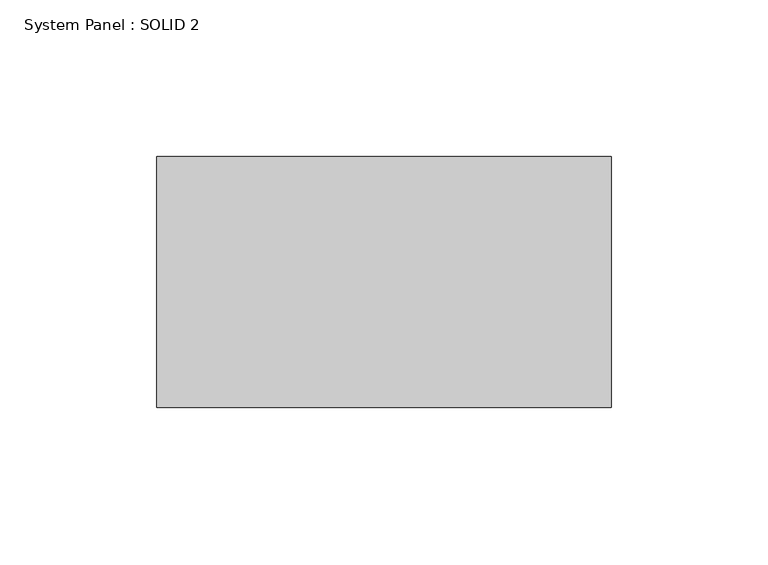
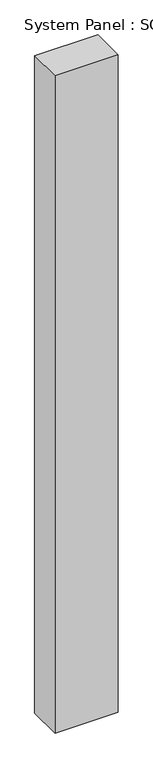
"""IFC4 building model written with IfcOpenShell, lengths in millimetres: plate geometry, System Panel : SOLID 2."""

from ifc_helpers import new_model, si_unit, origin, origin_with_axes, place, context, project, spatial, polyline, outline, extrude, source, transform, mapped, element, save


def system_panel_solid_2_e281681f(model_context):
    return source(origin(), model_context, "Body", "SweptSolid", [
        extrude(outline(polyline([(72.5, 80.0), (-72.5, 80.0), (-72.5, 160.0), (72.5, 160.0), (72.5, 80.0)])), origin_with_axes(), (0.0, 0.0, 1.0), 1594.0),
    ])


if __name__ == "__main__":
    model = new_model("IFC4")
    model_context = context("Model", 3, world=origin())
    ifc_project = project(units=[si_unit("LENGTHUNIT", "METRE", prefix="MILLI")], contexts=[model_context])
    site = spatial("IfcSite", under=ifc_project)
    building = spatial("IfcBuilding", under=site)
    placement = place(None, origin())
    system_panel_solid_2_shape = system_panel_solid_2_e281681f(model_context)
    element("IfcPlate", 1, ObjectType="System Panel : SOLID 2", at=placement, inside=building, context=model_context, shape_type="MappedRepresentation", body=[
        mapped(system_panel_solid_2_shape, transform((0.0, 0.0, 0.0), x_axis=(1.0, 0.0, 0.0), y_axis=(0.0, 1.0, 0.0), z_axis=(0.0, 0.0, 1.0))),
    ])
    save(model, "model.ifc")
